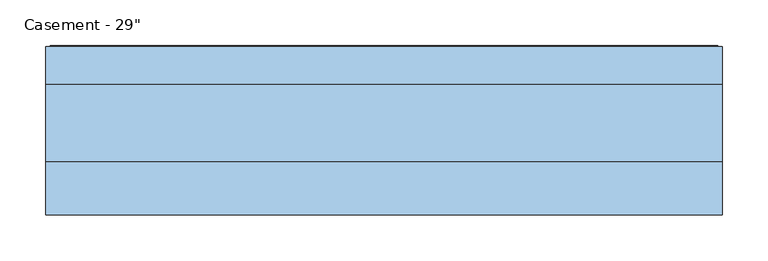
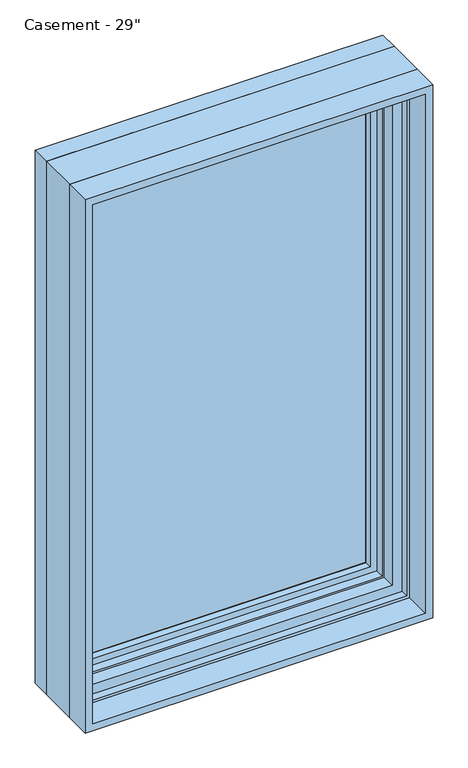
"""IFC4 building model written with IfcOpenShell, lengths in millimetres: window geometry."""

from ifc_helpers import new_model, si_unit, frame, origin, place, context, project, spatial, polyline, outline, extrude, faceted_brep, source, transform, mapped, element, save


def window_03ee7837(model_context):
    return source(origin(), model_context, "Body", "SolidModel", [
        extrude(outline(polyline([(316.309375, 61.3770729), (-316.2849783, 61.3770729), (-316.2849783, 78.8395729), (316.309375, 78.8395729), (316.309375, 61.3770729)])), frame((0.0, 0.0, 971.5119), z_axis=(0.0, 0.0, 1.0), x_axis=(1.0, 0.0, 0.0)), (0.0, 0.0, 1.0), 1079.5762),
        extrude(outline(polyline([(914.4, -368.3), (914.4, 368.3), (2108.2, 368.3), (2108.2, -368.3), (914.4, -368.3)]), holes=[polyline([(2092.325, -352.425), (2092.325, 352.425), (930.275, 352.425), (930.275, -352.425), (2092.325, -352.425)])]), frame((0.0, -76.2, 0.0), z_axis=(0.0, 1.0, 0.0), x_axis=(0.0, 0.0, 1.0)), (0.0, 0.0, 1.0), 57.3484375),
        faceted_brep([(-316.2849783, 61.3770729, 966.4150217), (-316.2849783, 78.8395729, 966.4150217), (-316.2849783, 78.8395729, 2056.1849783), (-316.2849783, 61.3770729, 2056.1849783), (-304.6015625, 60.1793953, 978.0984375), (-304.6015625, 61.3770729, 978.0984375), (-304.6015625, 61.3770729, 2044.5015625), (-304.6015625, 60.1793953, 2044.5015625), (-307.3498111, 47.2499024, 975.3501889), (-307.3498111, 47.2499024, 2047.2498111), (-335.3341084, 78.8395729, 947.3658916), (-335.3341084, 47.2499024, 947.3658916), (-335.3341084, 47.2499024, 2075.2341084), (-335.3341084, 78.8395729, 2075.2341084), (316.2849783, 78.8395729, 2056.1849783), (316.2849783, 61.3770729, 2056.1849783), (304.6015625, 61.3770729, 2044.5015625), (304.6015625, 60.1793953, 2044.5015625), (307.3498111, 47.2499024, 2047.2498111), (335.3341084, 47.2499024, 2075.2341084), (335.3341084, 78.8395729, 2075.2341084), (316.2849783, 78.8395729, 966.4150217), (316.2849783, 61.3770729, 966.4150217), (304.6015625, 61.3770729, 978.0984375), (304.6015625, 60.1793953, 978.0984375), (307.3498111, 47.2499024, 975.3501889), (335.3341084, 47.2499024, 947.3658916), (335.3341084, 78.8395729, 947.3658916)], [[[0, 1, 2, 3]], [[4, 5, 6, 7]], [[8, 4, 7, 9]], [[10, 11, 12, 13]], [[3, 2, 14, 15]], [[7, 6, 16, 17]], [[9, 7, 17, 18]], [[13, 12, 19, 20]], [[15, 14, 21, 22]], [[17, 16, 23, 24]], [[18, 17, 24, 25]], [[20, 19, 26, 27]], [[13, 20, 27, 10], [1, 21, 14, 2]], [[22, 21, 1, 0]], [[3, 15, 22, 0], [5, 23, 16, 6]], [[24, 23, 5, 4]], [[25, 24, 4, 8]], [[11, 26, 19, 12], [9, 18, 25, 8]], [[27, 26, 11, 10]]]),
        extrude(outline(polyline([(941.2966952, -341.4033048), (941.2966952, 341.4033048), (2081.3033048, 341.4033048), (2081.3033048, -341.4033048), (941.2966952, -341.4033048)]), holes=[polyline([(2044.5015625, -304.6015625), (2044.5015625, 304.6015625), (978.0984375, 304.6015625), (978.0984375, -304.6015625), (2044.5015625, -304.6015625)])]), frame((0.0, 78.8395729, 0.0), z_axis=(0.0, 1.0, 0.0), x_axis=(0.0, 0.0, 1.0)), (0.0, 0.0, 1.0), 15.4487776),
        faceted_brep([(-353.7220166, 106.5736375, 928.9779834), (-359.055345, 108.1484375, 923.644655), (-359.055345, 108.1484375, 2098.955345), (-353.7220166, 106.5736375, 2093.6220166), (-348.8526868, 91.7927591, 933.8473132), (-348.8526868, 106.5736375, 933.8473132), (-348.8526868, 106.5736375, 2088.7526868), (-348.8526868, 91.7927591, 2088.7526868), (-347.6244, 77.6195591, 935.0756), (-347.6244, 77.6195591, 2087.5244), (-347.6244, 66.471779, 935.0756), (-347.6244, 66.471779, 2087.5244), (-368.3, 106.9932773, 914.4), (-368.3, 66.471779, 914.4), (-368.3, 66.471779, 2108.2), (-368.3, 106.9932773, 2108.2), (-366.014, 98.4241649, 916.686), (-366.014, 106.9932773, 916.686), (-366.014, 106.9932773, 2105.914), (-366.014, 98.4241649, 2105.914), (-363.2962, 108.1484375, 919.4038), (-363.2962, 98.4241649, 919.4038), (-363.2962, 98.4241649, 2103.1962), (-363.2962, 108.1484375, 2103.1962), (359.055345, 108.1484375, 2098.955345), (353.7220166, 106.5736375, 2093.6220166), (348.8526868, 106.5736375, 2088.7526868), (348.8526868, 91.7927591, 2088.7526868), (347.6244, 77.6195591, 2087.5244), (347.6244, 66.471779, 2087.5244), (368.3, 66.471779, 2108.2), (368.3, 106.9932773, 2108.2), (366.014, 106.9932773, 2105.914), (366.014, 98.4241649, 2105.914), (363.2962, 98.4241649, 2103.1962), (363.2962, 108.1484375, 2103.1962), (359.055345, 108.1484375, 923.644655), (353.7220166, 106.5736375, 928.9779834), (348.8526868, 106.5736375, 933.8473132), (348.8526868, 91.7927591, 933.8473132), (347.6244, 77.6195591, 935.0756), (347.6244, 66.471779, 935.0756), (368.3, 66.471779, 914.4), (368.3, 106.9932773, 914.4), (366.014, 106.9932773, 916.686), (366.014, 98.4241649, 916.686), (363.2962, 98.4241649, 919.4038), (363.2962, 108.1484375, 919.4038)], [[[0, 1, 2, 3]], [[4, 5, 6, 7]], [[8, 4, 7, 9]], [[10, 8, 9, 11]], [[12, 13, 14, 15]], [[16, 17, 18, 19]], [[20, 21, 22, 23]], [[3, 2, 24, 25]], [[7, 6, 26, 27]], [[9, 7, 27, 28]], [[11, 9, 28, 29]], [[15, 14, 30, 31]], [[19, 18, 32, 33]], [[23, 22, 34, 35]], [[25, 24, 36, 37]], [[27, 26, 38, 39]], [[28, 27, 39, 40]], [[29, 28, 40, 41]], [[31, 30, 42, 43]], [[33, 32, 44, 45]], [[35, 34, 46, 47]], [[37, 36, 1, 0]], [[3, 25, 37, 0], [5, 38, 26, 6]], [[39, 38, 5, 4]], [[40, 39, 4, 8]], [[41, 40, 8, 10]], [[13, 42, 30, 14], [11, 29, 41, 10]], [[43, 42, 13, 12]], [[15, 31, 43, 12], [17, 44, 32, 18]], [[45, 44, 17, 16]], [[19, 33, 45, 16], [21, 46, 34, 22]], [[47, 46, 21, 20]], [[23, 35, 47, 20], [1, 36, 24, 2]]]),
        faceted_brep([(-368.3, 66.471779, 914.4), (-368.3, -18.8515625, 914.4), (-368.3, -18.8515625, 2108.2), (-368.3, 66.471779, 2108.2), (-348.6404, 54.0563278, 934.0596), (-348.6404, 66.471779, 934.0596), (-348.6404, 66.471779, 2088.5404), (-348.6404, 54.0563278, 2088.5404), (-342.1634, 47.0093984, 940.5366), (-342.1634, 54.0563278, 940.5366), (-342.1634, 54.0563278, 2082.0634), (-342.1634, 47.0093984, 2082.0634), (-320.675, 27.2279649, 962.025), (-320.675, 47.0093984, 962.025), (-320.675, 47.0093984, 2060.575), (-320.675, 27.2279649, 2060.575), (-324.6374, -1.7772662, 958.0626), (-324.6374, 27.2279649, 958.0626), (-324.6374, 27.2279649, 2064.5374), (-324.6374, -1.7772662, 2064.5374), (368.3, -18.8515625, 2108.2), (368.3, 66.471779, 2108.2), (348.6404, 66.471779, 2088.5404), (348.6404, 54.0563278, 2088.5404), (342.1634, 54.0563278, 2082.0634), (342.1634, 47.0093984, 2082.0634), (320.675, 47.0093984, 2060.575), (320.675, 27.2279649, 2060.575), (324.6374, 27.2279649, 2064.5374), (324.6374, -1.7772662, 2064.5374), (368.3, -18.8515625, 914.4), (368.3, 66.471779, 914.4), (348.6404, 66.471779, 934.0596), (348.6404, 54.0563278, 934.0596), (342.1634, 54.0563278, 940.5366), (342.1634, 47.0093984, 940.5366), (320.675, 47.0093984, 962.025), (320.675, 27.2279649, 962.025), (324.6374, 27.2279649, 958.0626), (324.6374, -1.7772662, 958.0626), (-346.0761112, -18.8515625, 2085.9761112), (346.0761112, -18.8515625, 2085.9761112), (346.0761112, -18.8515625, 936.6238888), (-346.0761112, -18.8515625, 936.6238888), (-346.0761112, -1.7772662, 936.6238888), (346.0761112, -1.7772662, 936.6238888), (346.0761112, -1.7772662, 2085.9761112), (-346.0761112, -1.7772662, 2085.9761112)], [[[0, 1, 2, 3]], [[4, 5, 6, 7]], [[8, 9, 10, 11]], [[12, 13, 14, 15]], [[16, 17, 18, 19]], [[3, 2, 20, 21]], [[7, 6, 22, 23]], [[11, 10, 24, 25]], [[15, 14, 26, 27]], [[19, 18, 28, 29]], [[21, 20, 30, 31]], [[23, 22, 32, 33]], [[25, 24, 34, 35]], [[27, 26, 36, 37]], [[29, 28, 38, 39]], [[1, 30, 20, 2], [40, 41, 42, 43]], [[31, 30, 1, 0]], [[3, 21, 31, 0], [5, 32, 22, 6]], [[33, 32, 5, 4]], [[7, 23, 33, 4], [9, 34, 24, 10]], [[35, 34, 9, 8]], [[11, 25, 35, 8], [13, 36, 26, 14]], [[37, 36, 13, 12]], [[17, 38, 28, 18], [15, 27, 37, 12]], [[39, 38, 17, 16]], [[44, 45, 46, 47], [19, 29, 39, 16]], [[43, 44, 47, 40]], [[40, 47, 46, 41]], [[41, 46, 45, 42]], [[42, 45, 44, 43]]]),
    ])


if __name__ == "__main__":
    model = new_model("IFC4")
    model_context = context("Model", 3, world=origin())
    ifc_project = project(units=[si_unit("LENGTHUNIT", "METRE", prefix="MILLI")], contexts=[model_context])
    site = spatial("IfcSite", under=ifc_project)
    building = spatial("IfcBuilding", under=site)
    placement = place(None, origin())
    window_shape = window_03ee7837(model_context)
    element("IfcWindow", 1, ObjectType="Casement - 29\"", at=placement, inside=building, context=model_context, shape_type="MappedRepresentation", body=[
        mapped(window_shape, transform((0.0, 0.0, 0.0), x_axis=(1.0, 0.0, 0.0), y_axis=(0.0, 1.0, 0.0), z_axis=(0.0, 0.0, 1.0))),
    ])
    save(model, "model.ifc")
